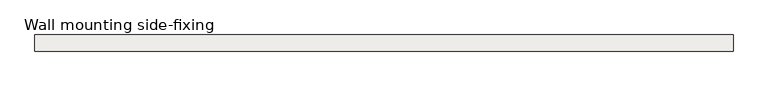
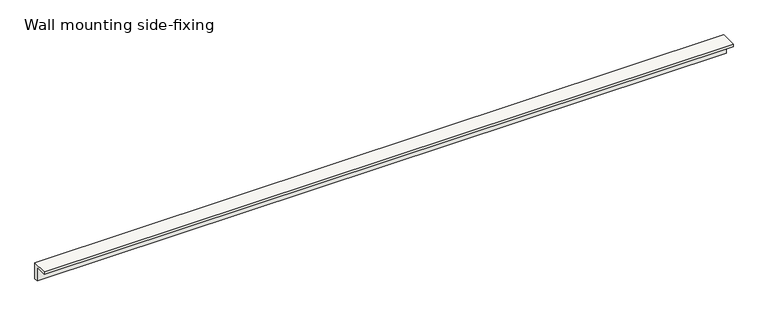
"""IFC4 building model written with IfcOpenShell, lengths in millimetres: covering geometry, Wall mounting side-fixing."""

from ifc_helpers import new_model, si_unit, frame, origin, place, context, project, spatial, polyline, outline, extrude, source, transform, mapped, element, save


def wall_mounting_side_fixing_510bd3a3(model_context):
    return source(origin(), model_context, "Body", "SweptSolid", [
        extrude(outline(polyline([(25.0, 0.0), (14.0, 0.0), (14.0, 40.0), (-20.0, 40.0), (-20.0, 48.0), (25.0, 48.0), (25.0, 0.0)])), frame((0.0, 0.0, 0.0), z_axis=(1.0, 0.0, 0.0), x_axis=(0.0, 1.0, 0.0)), (0.0, 0.0, 1.0), 1950.0),
    ])


if __name__ == "__main__":
    model = new_model("IFC4")
    model_context = context("Model", 3, world=origin())
    ifc_project = project(units=[si_unit("LENGTHUNIT", "METRE", prefix="MILLI")], contexts=[model_context])
    site = spatial("IfcSite", under=ifc_project)
    building = spatial("IfcBuilding", under=site)
    placement = place(None, origin())
    wall_mounting_side_fixing_shape = wall_mounting_side_fixing_510bd3a3(model_context)
    element("IfcCovering", 1, ObjectType="Wall mounting side-fixing", at=placement, inside=building, context=model_context, shape_type="MappedRepresentation", body=[
        mapped(wall_mounting_side_fixing_shape, transform((0.0, 0.0, 0.0), x_axis=(1.0, 0.0, 0.0), y_axis=(0.0, 1.0, 0.0), z_axis=(0.0, 0.0, 1.0))),
    ])
    save(model, "model.ifc")
